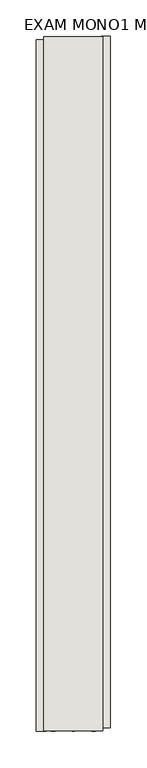
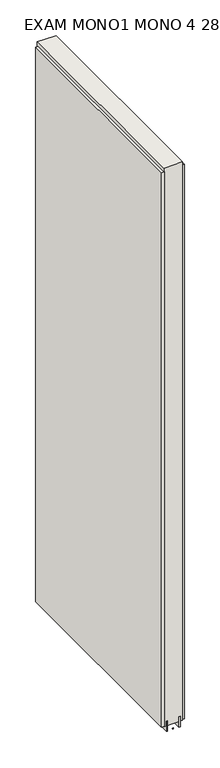
"""IFC4 building model written with IfcOpenShell, lengths in millimetres: wall geometry, EXAM MONO1 MONO 4 289071 : EXAM MONO1 MONO 4 289071."""

from ifc_helpers import new_model, si_unit, frame, origin, place, context, project, spatial, polyline, outline, extrude, source, transform, mapped, element, save


def exam_mono1_mono_4_289071_exam_mono1_mono_4_289071_9dc8929b(model_context):
    return source(origin(), model_context, "Body", "SweptSolid", [
        extrude(outline(polyline([(81690.882211, -52635.3310766), (81690.882211, -52637.8710766), (81688.342211, -52637.8710766), (81688.342211, -52635.3310766), (81690.882211, -52635.3310766)])), frame((0.0, 0.0, 4419.6), z_axis=(0.0, 0.0, 1.0), x_axis=(1.0, 0.0, 0.0)), (0.0, 0.0, 1.0), 2.54),
        extrude(outline(polyline([(81638.812211, -52638.3341948), (81638.812211, -51688.2466868), (81651.512211, -51688.2466868), (81651.512211, -52638.3341948), (81638.812211, -52638.3341948)])), frame((0.0, 0.0, 4445.0), z_axis=(0.0, 0.0, 1.0), x_axis=(1.0, 0.0, 0.0)), (0.0, 0.0, 1.0), 2545.0498756),
        extrude(outline(polyline([(81740.412211, -51683.3229476), (81740.412211, -52633.4104556), (81727.712211, -52633.4104556), (81727.712211, -51683.3229476), (81740.412211, -51683.3229476)])), frame((0.0, 0.0, 4445.0), z_axis=(0.0, 0.0, 1.0), x_axis=(1.0, 0.0, 0.0)), (0.0, 0.0, 1.0), 2545.0498756),
        extrude(outline(polyline([(81664.5284664, -51683.7941176), (81664.5284664, -52637.8661236), (81659.449711, -52637.8661236), (81659.449711, -51683.7941176), (81664.5284664, -51683.7941176)])), frame((0.0, 0.0, 4418.6602), z_axis=(0.0, 0.0, 1.0), x_axis=(1.0, 0.0, 0.0)), (0.0, 0.0, 1.0), 47.625),
        extrude(outline(polyline([(81664.5284664, -51683.7941176), (81664.5284664, -52637.8661236), (81659.449711, -52637.8661236), (81659.449711, -51683.7941176), (81664.5284664, -51683.7941176)])), frame((0.0, 0.0, 4418.6602), z_axis=(0.0, 0.0, 1.0), x_axis=(1.0, 0.0, 0.0)), (0.0, 0.0, 1.0), 47.625),
        extrude(outline(polyline([(81714.6959556, -52637.8661236), (81714.6959556, -51683.7941176), (81719.774711, -51683.7941176), (81719.774711, -52637.8661236), (81714.6959556, -52637.8661236)])), frame((0.0, 0.0, 4418.6602), z_axis=(0.0, 0.0, 1.0), x_axis=(1.0, 0.0, 0.0)), (0.0, 0.0, 1.0), 47.625),
        extrude(outline(polyline([(81714.6959556, -52637.8661236), (81714.6959556, -51683.7941176), (81719.774711, -51683.7941176), (81719.774711, -52637.8661236), (81714.6959556, -52637.8661236)])), frame((0.0, 0.0, 4418.6602), z_axis=(0.0, 0.0, 1.0), x_axis=(1.0, 0.0, 0.0)), (0.0, 0.0, 1.0), 47.625),
        extrude(outline(polyline([(81648.9573266, -51683.7941176), (81730.2670954, -51683.7941176), (81730.2670954, -52637.8661236), (81648.9573266, -52637.8661236), (81648.9573266, -51683.7941176)])), frame((0.0, 0.0, 4445.0), z_axis=(0.0, 0.0, 1.0), x_axis=(1.0, 0.0, 0.0)), (0.0, 0.0, 1.0), 2562.4536762),
    ])


if __name__ == "__main__":
    model = new_model("IFC4")
    model_context = context("Model", 3, world=origin())
    ifc_project = project(units=[si_unit("LENGTHUNIT", "METRE", prefix="MILLI")], contexts=[model_context])
    site = spatial("IfcSite", under=ifc_project)
    building = spatial("IfcBuilding", under=site)
    placement = place(None, origin())
    exam_mono1_mono_4_289071_exam_mono1_mono_4_289071_shape = exam_mono1_mono_4_289071_exam_mono1_mono_4_289071_9dc8929b(model_context)
    element("IfcWall", 1, ObjectType="EXAM MONO1 MONO 4 289071 : EXAM MONO1 MONO 4 289071", at=placement, inside=building, context=model_context, shape_type="MappedRepresentation", body=[
        mapped(exam_mono1_mono_4_289071_exam_mono1_mono_4_289071_shape, transform((0.0, 0.0, 0.0), x_axis=(1.0, 0.0, 0.0), y_axis=(0.0, 1.0, 0.0), z_axis=(0.0, 0.0, 1.0))),
    ])
    save(model, "model.ifc")
